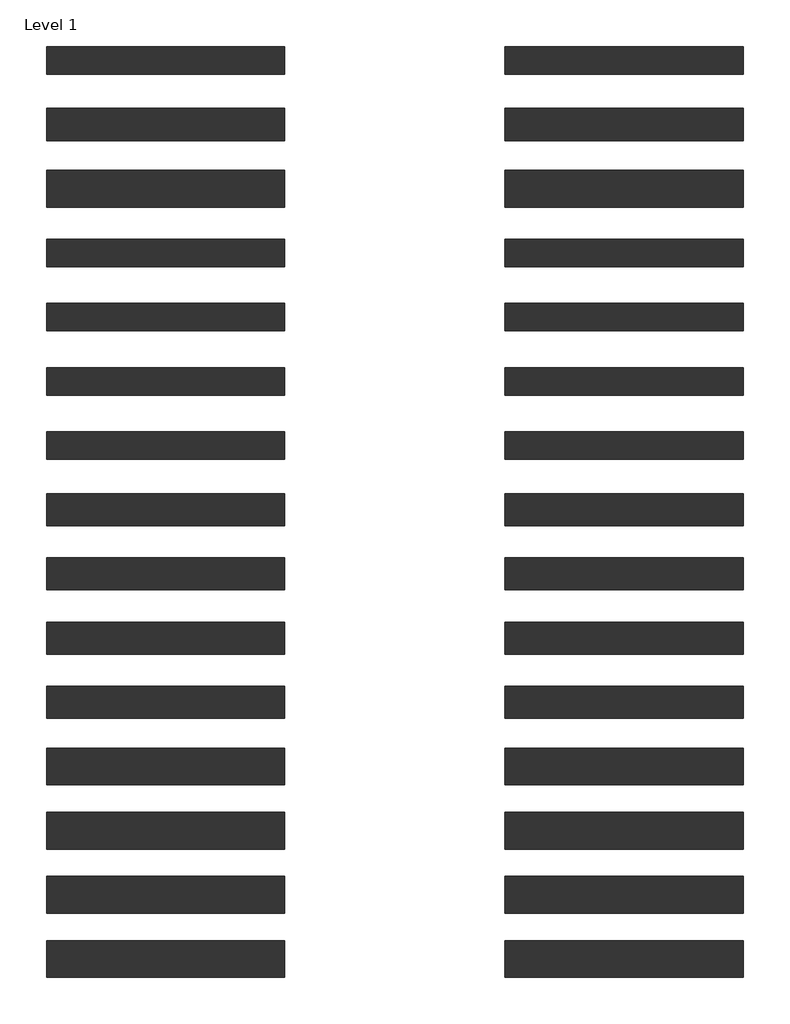
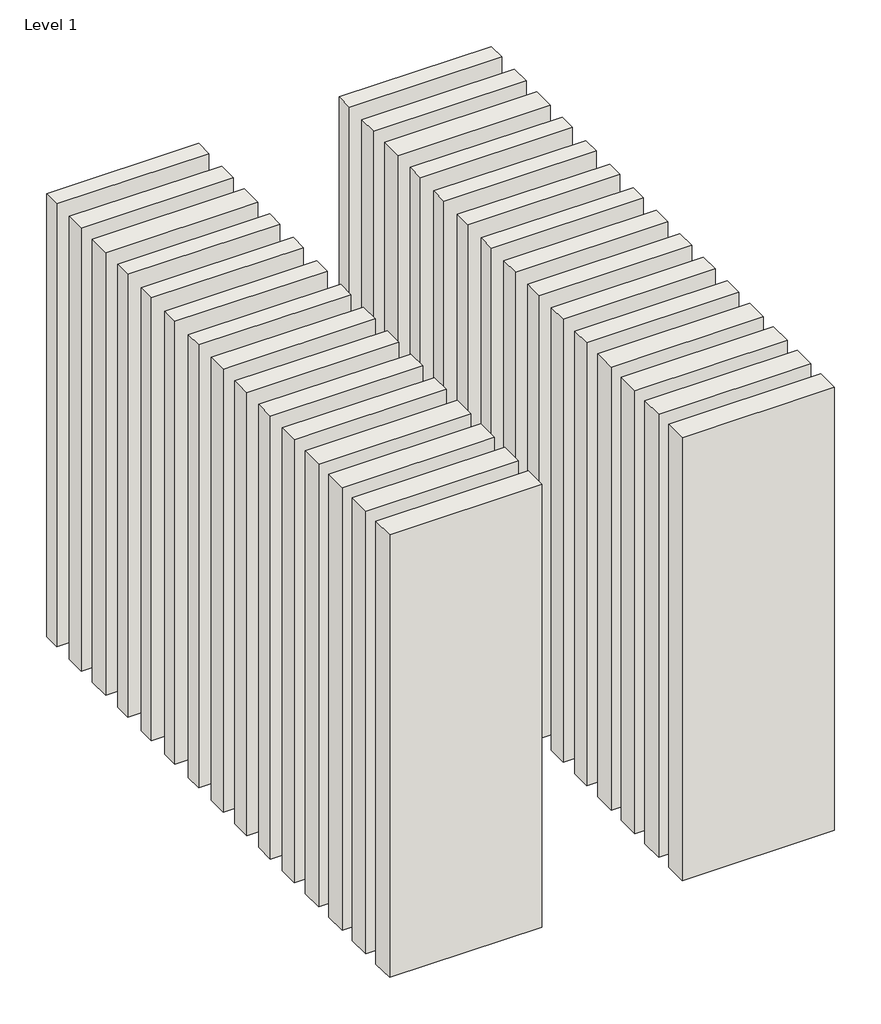
# One storey: 30 walls.
"""IFC4 building model written with IfcOpenShell, lengths in millimetres."""

from ifc_helpers import new_model, si_unit, origin, origin_with_axes, place, context, project, spatial, polyline, outline, extrude, element, save

model = new_model("IFC4")

# Units and contexts
model_context = context("Model", 3, world=origin())
ifc_project = project(units=[si_unit("LENGTHUNIT", "METRE", prefix="MILLI")], contexts=[model_context])

# Site, building, storey
site = spatial("IfcSite", under=ifc_project)
building = spatial("IfcBuilding", under=site)
storey = spatial("IfcBuildingStorey", under=building, Name="Level 1", Elevation=0.0)

# Walls
placement = place(None, origin())
element("IfcWall", 1, at=placement, inside=storey, context=model_context, shape_type="SweptSolid", body=[
    extrude(outline(polyline([(-16904.1464237, 3561.0042935), (-19504.1464237, 3561.0042935), (-19504.1464237, 3911.8042935), (-16904.1464237, 3911.8042935), (-16904.1464237, 3561.0042935)])), origin_with_axes(), (0.0, 0.0, 1.0), 8000.0),
])
element("IfcWall", 2, at=placement, inside=storey, context=model_context, shape_type="SweptSolid", body=[
    extrude(outline(polyline([(-16904.1464237, 4286.0042935), (-19504.1464237, 4286.0042935), (-19504.1464237, 4586.8042935), (-16904.1464237, 4586.8042935), (-16904.1464237, 4286.0042935)])), origin_with_axes(), (0.0, 0.0, 1.0), 8000.0),
])
element("IfcWall", 3, at=placement, inside=storey, context=model_context, shape_type="SweptSolid", body=[
    extrude(outline(polyline([(-16904.1464237, 2836.0042935), (-19504.1464237, 2836.0042935), (-19504.1464237, 3236.8042935), (-16904.1464237, 3236.8042935), (-16904.1464237, 2836.0042935)])), origin_with_axes(), (0.0, 0.0, 1.0), 8000.0),
])
element("IfcWall", 4, at=placement, inside=storey, context=model_context, shape_type="SweptSolid", body=[
    extrude(outline(polyline([(-16904.1464237, 1486.0042935), (-19504.1464237, 1486.0042935), (-19504.1464237, 1786.8042935), (-16904.1464237, 1786.8042935), (-16904.1464237, 1486.0042935)])), origin_with_axes(), (0.0, 0.0, 1.0), 8000.0),
])
element("IfcWall", 5, at=placement, inside=storey, context=model_context, shape_type="SweptSolid", body=[
    extrude(outline(polyline([(-16904.1464237, 2186.0042935), (-19504.1464237, 2186.0042935), (-19504.1464237, 2486.8042935), (-16904.1464237, 2486.8042935), (-16904.1464237, 2186.0042935)])), origin_with_axes(), (0.0, 0.0, 1.0), 8000.0),
])
element("IfcWall", 6, at=placement, inside=storey, context=model_context, shape_type="SweptSolid", body=[
    extrude(outline(polyline([(-16904.1464237, 786.0042935), (-19504.1464237, 786.0042935), (-19504.1464237, 1086.8042935), (-16904.1464237, 1086.8042935), (-16904.1464237, 786.0042935)])), origin_with_axes(), (0.0, 0.0, 1.0), 8000.0),
])
element("IfcWall", 7, at=placement, inside=storey, context=model_context, shape_type="SweptSolid", body=[
    extrude(outline(polyline([(-16904.1464237, 86.0042935), (-19504.1464237, 86.0042935), (-19504.1464237, 386.8042935), (-16904.1464237, 386.8042935), (-16904.1464237, 86.0042935)])), origin_with_axes(), (0.0, 0.0, 1.0), 8000.0),
])
element("IfcWall", 8, at=placement, inside=storey, context=model_context, shape_type="SweptSolid", body=[
    extrude(outline(polyline([(-16904.1464237, -1338.9957065), (-19504.1464237, -1338.9957065), (-19504.1464237, -988.1957065), (-16904.1464237, -988.1957065), (-16904.1464237, -1338.9957065)])), origin_with_axes(), (0.0, 0.0, 1.0), 8000.0),
])
element("IfcWall", 9, at=placement, inside=storey, context=model_context, shape_type="SweptSolid", body=[
    extrude(outline(polyline([(-16904.1464237, -638.9957065), (-19504.1464237, -638.9957065), (-19504.1464237, -288.1957065), (-16904.1464237, -288.1957065), (-16904.1464237, -638.9957065)])), origin_with_axes(), (0.0, 0.0, 1.0), 8000.0),
])
element("IfcWall", 10, at=placement, inside=storey, context=model_context, shape_type="SweptSolid", body=[
    extrude(outline(polyline([(-16904.1464237, -2038.9957065), (-19504.1464237, -2038.9957065), (-19504.1464237, -1688.1957065), (-16904.1464237, -1688.1957065), (-16904.1464237, -2038.9957065)])), origin_with_axes(), (0.0, 0.0, 1.0), 8000.0),
])
element("IfcWall", 11, at=placement, inside=storey, context=model_context, shape_type="SweptSolid", body=[
    extrude(outline(polyline([(-16904.1464237, -2738.9957065), (-19504.1464237, -2738.9957065), (-19504.1464237, -2388.1957065), (-16904.1464237, -2388.1957065), (-16904.1464237, -2738.9957065)])), origin_with_axes(), (0.0, 0.0, 1.0), 8000.0),
])
element("IfcWall", 12, at=placement, inside=storey, context=model_context, shape_type="SweptSolid", body=[
    extrude(outline(polyline([(-16904.1464237, -4163.9957065), (-19504.1464237, -4163.9957065), (-19504.1464237, -3763.1957065), (-16904.1464237, -3763.1957065), (-16904.1464237, -4163.9957065)])), origin_with_axes(), (0.0, 0.0, 1.0), 8000.0),
])
element("IfcWall", 13, at=placement, inside=storey, context=model_context, shape_type="SweptSolid", body=[
    extrude(outline(polyline([(-16904.1464237, -3463.9957065), (-19504.1464237, -3463.9957065), (-19504.1464237, -3063.1957065), (-16904.1464237, -3063.1957065), (-16904.1464237, -3463.9957065)])), origin_with_axes(), (0.0, 0.0, 1.0), 8000.0),
])
element("IfcWall", 14, at=placement, inside=storey, context=model_context, shape_type="SweptSolid", body=[
    extrude(outline(polyline([(-16904.1464237, -4863.9957065), (-19504.1464237, -4863.9957065), (-19504.1464237, -4463.1957065), (-16904.1464237, -4463.1957065), (-16904.1464237, -4863.9957065)])), origin_with_axes(), (0.0, 0.0, 1.0), 8000.0),
])
element("IfcWall", 15, at=placement, inside=storey, context=model_context, shape_type="SweptSolid", body=[
    extrude(outline(polyline([(-16904.1464237, -5563.9957065), (-19504.1464237, -5563.9957065), (-19504.1464237, -5163.1957065), (-16904.1464237, -5163.1957065), (-16904.1464237, -5563.9957065)])), origin_with_axes(), (0.0, 0.0, 1.0), 8000.0),
])
element("IfcWall", 16, at=placement, inside=storey, context=model_context, shape_type="SweptSolid", body=[
    extrude(outline(polyline([(-11904.1464237, 3561.0042935), (-14504.1464237, 3561.0042935), (-14504.1464237, 3911.8042935), (-11904.1464237, 3911.8042935), (-11904.1464237, 3561.0042935)])), origin_with_axes(), (0.0, 0.0, 1.0), 8000.0),
])
element("IfcWall", 17, at=placement, inside=storey, context=model_context, shape_type="SweptSolid", body=[
    extrude(outline(polyline([(-11904.1464237, 4286.0042935), (-14504.1464237, 4286.0042935), (-14504.1464237, 4586.8042935), (-11904.1464237, 4586.8042935), (-11904.1464237, 4286.0042935)])), origin_with_axes(), (0.0, 0.0, 1.0), 8000.0),
])
element("IfcWall", 18, at=placement, inside=storey, context=model_context, shape_type="SweptSolid", body=[
    extrude(outline(polyline([(-11904.1464237, 2836.0042935), (-14504.1464237, 2836.0042935), (-14504.1464237, 3236.8042935), (-11904.1464237, 3236.8042935), (-11904.1464237, 2836.0042935)])), origin_with_axes(), (0.0, 0.0, 1.0), 8000.0),
])
element("IfcWall", 19, at=placement, inside=storey, context=model_context, shape_type="SweptSolid", body=[
    extrude(outline(polyline([(-11904.1464237, 1486.0042935), (-14504.1464237, 1486.0042935), (-14504.1464237, 1786.8042935), (-11904.1464237, 1786.8042935), (-11904.1464237, 1486.0042935)])), origin_with_axes(), (0.0, 0.0, 1.0), 8000.0),
])
element("IfcWall", 20, at=placement, inside=storey, context=model_context, shape_type="SweptSolid", body=[
    extrude(outline(polyline([(-11904.1464237, 2186.0042935), (-14504.1464237, 2186.0042935), (-14504.1464237, 2486.8042935), (-11904.1464237, 2486.8042935), (-11904.1464237, 2186.0042935)])), origin_with_axes(), (0.0, 0.0, 1.0), 8000.0),
])
element("IfcWall", 21, at=placement, inside=storey, context=model_context, shape_type="SweptSolid", body=[
    extrude(outline(polyline([(-11904.1464237, 786.0042935), (-14504.1464237, 786.0042935), (-14504.1464237, 1086.8042935), (-11904.1464237, 1086.8042935), (-11904.1464237, 786.0042935)])), origin_with_axes(), (0.0, 0.0, 1.0), 8000.0),
])
element("IfcWall", 22, at=placement, inside=storey, context=model_context, shape_type="SweptSolid", body=[
    extrude(outline(polyline([(-11904.1464237, 86.0042935), (-14504.1464237, 86.0042935), (-14504.1464237, 386.8042935), (-11904.1464237, 386.8042935), (-11904.1464237, 86.0042935)])), origin_with_axes(), (0.0, 0.0, 1.0), 8000.0),
])
element("IfcWall", 23, at=placement, inside=storey, context=model_context, shape_type="SweptSolid", body=[
    extrude(outline(polyline([(-11904.1464237, -1338.9957065), (-14504.1464237, -1338.9957065), (-14504.1464237, -988.1957065), (-11904.1464237, -988.1957065), (-11904.1464237, -1338.9957065)])), origin_with_axes(), (0.0, 0.0, 1.0), 8000.0),
])
element("IfcWall", 24, at=placement, inside=storey, context=model_context, shape_type="SweptSolid", body=[
    extrude(outline(polyline([(-11904.1464237, -638.9957065), (-14504.1464237, -638.9957065), (-14504.1464237, -288.1957065), (-11904.1464237, -288.1957065), (-11904.1464237, -638.9957065)])), origin_with_axes(), (0.0, 0.0, 1.0), 8000.0),
])
element("IfcWall", 25, at=placement, inside=storey, context=model_context, shape_type="SweptSolid", body=[
    extrude(outline(polyline([(-11904.1464237, -2038.9957065), (-14504.1464237, -2038.9957065), (-14504.1464237, -1688.1957065), (-11904.1464237, -1688.1957065), (-11904.1464237, -2038.9957065)])), origin_with_axes(), (0.0, 0.0, 1.0), 8000.0),
])
element("IfcWall", 26, at=placement, inside=storey, context=model_context, shape_type="SweptSolid", body=[
    extrude(outline(polyline([(-11904.1464237, -2738.9957065), (-14504.1464237, -2738.9957065), (-14504.1464237, -2388.1957065), (-11904.1464237, -2388.1957065), (-11904.1464237, -2738.9957065)])), origin_with_axes(), (0.0, 0.0, 1.0), 8000.0),
])
element("IfcWall", 27, at=placement, inside=storey, context=model_context, shape_type="SweptSolid", body=[
    extrude(outline(polyline([(-11904.1464237, -4163.9957065), (-14504.1464237, -4163.9957065), (-14504.1464237, -3763.1957065), (-11904.1464237, -3763.1957065), (-11904.1464237, -4163.9957065)])), origin_with_axes(), (0.0, 0.0, 1.0), 8000.0),
])
element("IfcWall", 28, at=placement, inside=storey, context=model_context, shape_type="SweptSolid", body=[
    extrude(outline(polyline([(-11904.1464237, -3463.9957065), (-14504.1464237, -3463.9957065), (-14504.1464237, -3063.1957065), (-11904.1464237, -3063.1957065), (-11904.1464237, -3463.9957065)])), origin_with_axes(), (0.0, 0.0, 1.0), 8000.0),
])
element("IfcWall", 29, at=placement, inside=storey, context=model_context, shape_type="SweptSolid", body=[
    extrude(outline(polyline([(-11904.1464237, -4863.9957065), (-14504.1464237, -4863.9957065), (-14504.1464237, -4463.1957065), (-11904.1464237, -4463.1957065), (-11904.1464237, -4863.9957065)])), origin_with_axes(), (0.0, 0.0, 1.0), 8000.0),
])
element("IfcWall", 30, at=placement, inside=storey, context=model_context, shape_type="SweptSolid", body=[
    extrude(outline(polyline([(-11904.1464237, -5563.9957065), (-14504.1464237, -5563.9957065), (-14504.1464237, -5163.1957065), (-11904.1464237, -5163.1957065), (-11904.1464237, -5563.9957065)])), origin_with_axes(), (0.0, 0.0, 1.0), 8000.0),
])

save(model, "model.ifc")
